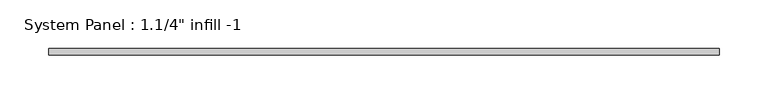
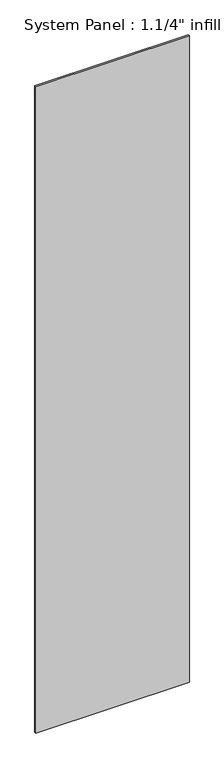
"""IFC4 building model written with IfcOpenShell, lengths in millimetres: plate geometry."""

from ifc_helpers import new_model, si_unit, origin, origin_with_axes, place, context, project, spatial, polyline, outline, extrude, source, transform, mapped, element, save


def plate_d63a42ef(model_context):
    return source(origin(), model_context, "Body", "SweptSolid", [
        extrude(outline(polyline([(342.9, -6.35), (-342.9, -6.35), (-342.9, 0.0), (342.9, 0.0), (342.9, -6.35)])), origin_with_axes(), (0.0, 0.0, 1.0), 3048.0),
    ])


if __name__ == "__main__":
    model = new_model("IFC4")
    model_context = context("Model", 3, world=origin())
    ifc_project = project(units=[si_unit("LENGTHUNIT", "METRE", prefix="MILLI")], contexts=[model_context])
    site = spatial("IfcSite", under=ifc_project)
    building = spatial("IfcBuilding", under=site)
    placement = place(None, origin())
    plate_shape = plate_d63a42ef(model_context)
    element("IfcPlate", 1, ObjectType="System Panel : 1.1/4\" infill -1", at=placement, inside=building, context=model_context, shape_type="MappedRepresentation", body=[
        mapped(plate_shape, transform((0.0, 0.0, 0.0), x_axis=(1.0, 0.0, 0.0), y_axis=(0.0, 1.0, 0.0), z_axis=(0.0, 0.0, 1.0))),
    ])
    save(model, "model.ifc")
